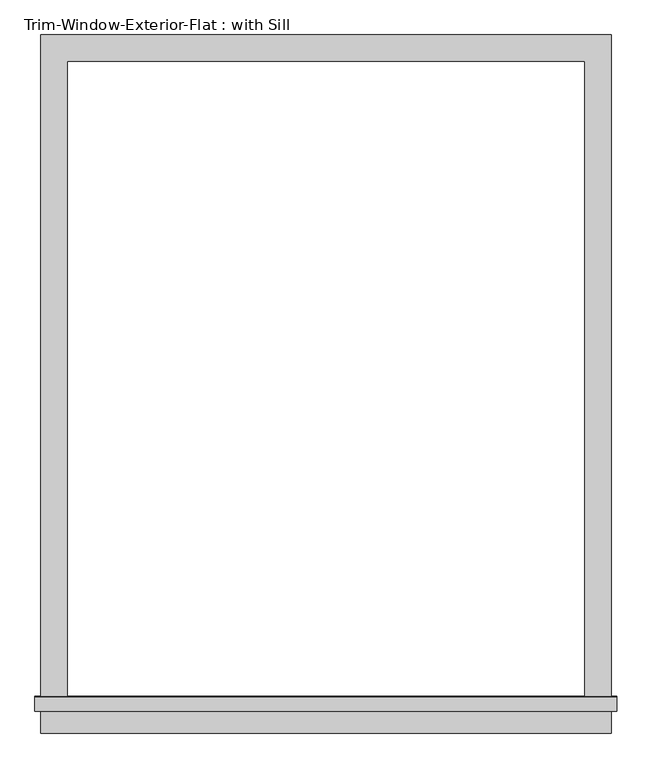
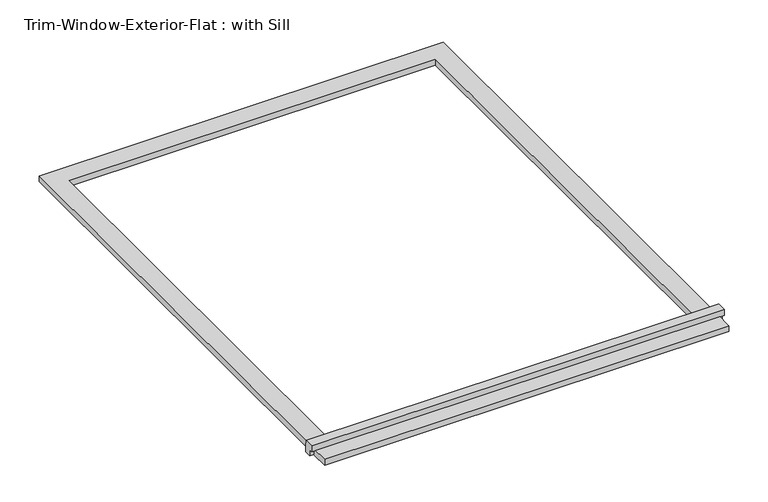
"""IFC4 building model written with IfcOpenShell, lengths in millimetres: proxy geometry, Trim-Window-Exterior-Flat : with Sill."""

from ifc_helpers import new_model, si_unit, frame, origin, origin_with_axes, place, context, project, spatial, polyline, outline, extrude, source, transform, mapped, element, save


def trim_window_exterior_flat_with_sill_8c2c32d9(model_context):
    return source(origin(), model_context, "Body", "SweptSolid", [
        extrude(outline(polyline([(615.95, -1393.7823709), (615.95, -1450.9323709), (-615.95, -1450.9323709), (-615.95, -1393.7823709), (615.95, -1393.7823709)])), origin_with_axes(), (0.0, 0.0, 1.0), 19.05),
        extrude(outline(polyline([(-1403.35, 38.1), (-1374.0580645, 38.1), (-1371.6, 19.05), (-1371.6, 0.0), (-1393.7823709, 0.0), (-1393.7823709, 19.05), (-1403.35, 19.05), (-1403.35, 38.1)])), frame((-628.65, 0.0, 0.0), z_axis=(1.0, 0.0, 0.0), x_axis=(0.0, 1.0, 0.0)), (0.0, 0.0, 1.0), 1257.3),
        extrude(outline(polyline([(-615.95, 57.15), (615.95, 57.15), (615.95, -1371.6), (558.8, -1371.6), (558.8, 0.0), (-558.8, 0.0), (-558.8, -1371.6), (-615.95, -1371.6), (-615.95, 57.15)])), origin_with_axes(), (0.0, 0.0, 1.0), 19.05),
    ])


if __name__ == "__main__":
    model = new_model("IFC4")
    model_context = context("Model", 3, world=origin())
    ifc_project = project(units=[si_unit("LENGTHUNIT", "METRE", prefix="MILLI")], contexts=[model_context])
    site = spatial("IfcSite", under=ifc_project)
    building = spatial("IfcBuilding", under=site)
    placement = place(None, origin())
    trim_window_exterior_flat_with_sill_shape = trim_window_exterior_flat_with_sill_8c2c32d9(model_context)
    element("IfcBuildingElementProxy", 1, Name="Trim-Window-Exterior-Flat : with Sill", ObjectType="Trim-Window-Exterior-Flat : with Sill", at=placement, inside=building, context=model_context, shape_type="MappedRepresentation", body=[
        mapped(trim_window_exterior_flat_with_sill_shape, transform((0.0, 0.0, 0.0), x_axis=(1.0, 0.0, 0.0), y_axis=(0.0, 1.0, 0.0), z_axis=(0.0, 0.0, 1.0))),
    ])
    save(model, "model.ifc")
